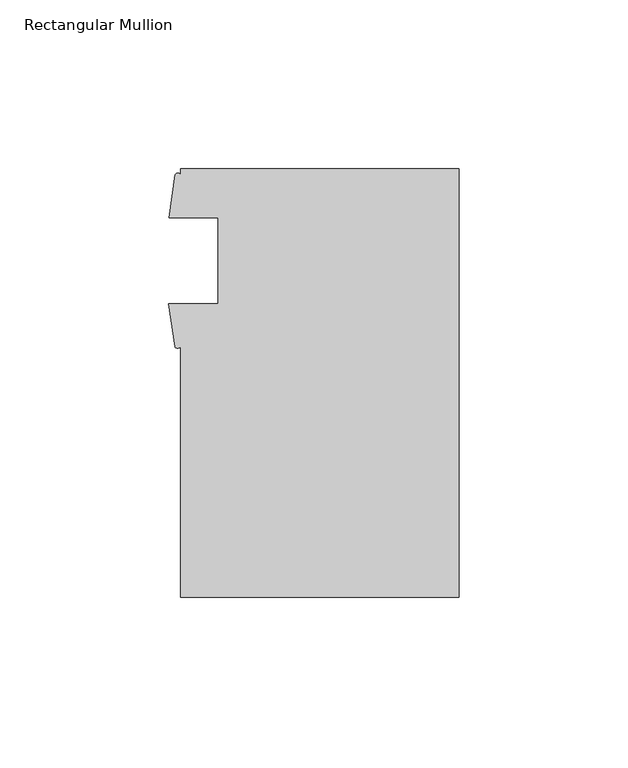
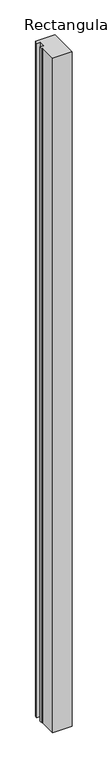
"""IFC4 building model written with IfcOpenShell, lengths in millimetres: member geometry, Rectangular Mullion."""

from ifc_helpers import new_model, si_unit, point, frame, frame_2d, origin, place, context, project, spatial, polyline, circle_curve, trimmed, segment, composite_curve, outline, extrude, source, transform, mapped, element, save


def rectangular_mullion_239945e7(model_context):
    return source(origin(), model_context, "Body", "SweptSolid", [
        extrude(outline(composite_curve([segment(polyline([(0.0, -127.0059304), (-82.55, -127.0059304), (-82.55, -52.6765778)]), True, "CONTINUOUS"), segment(trimmed(circle_curve(frame_2d((-83.3817022, -52.1611917)), 0.9784433), [point((-82.55, -52.6765778))], [point((-84.2134044, -52.6765778))], False, "CARTESIAN"), True, "CONTINUOUS"), segment(polyline([(-84.2134044, -52.6765778), (-86.0660632, -39.9273255), (-71.4375, -39.9273255), (-71.4375, -14.503525), (-85.946, -14.503525), (-84.1358963, -1.7322375)]), True, "CONTINUOUS"), segment(trimmed(circle_curve(frame_2d((-83.3429481, -2.2395551)), 0.941349), [point((-84.1358963, -1.7322375))], [point((-82.55, -1.7322375))], False, "CARTESIAN"), True, "CONTINUOUS"), segment(polyline([(-82.55, -1.7322375), (-82.55, 0.0), (0.0, 0.0), (0.0, -127.0059304)]), True, "CONTINUOUS")], self_intersect=False)), frame((0.0, 0.0, -3048.0), z_axis=(0.0, 0.0, 1.0), x_axis=(1.0, 0.0, 0.0)), (0.0, 0.0, 1.0), 3048.0),
    ])


if __name__ == "__main__":
    model = new_model("IFC4")
    model_context = context("Model", 3, world=origin())
    ifc_project = project(units=[si_unit("LENGTHUNIT", "METRE", prefix="MILLI")], contexts=[model_context])
    site = spatial("IfcSite", under=ifc_project)
    building = spatial("IfcBuilding", under=site)
    placement = place(None, origin())
    rectangular_mullion_shape = rectangular_mullion_239945e7(model_context)
    element("IfcMember", 1, ObjectType="Rectangular Mullion", at=placement, inside=building, context=model_context, shape_type="MappedRepresentation", body=[
        mapped(rectangular_mullion_shape, transform((0.0, 0.0, 0.0), x_axis=(1.0, 0.0, 0.0), y_axis=(0.0, 1.0, 0.0), z_axis=(0.0, 0.0, 1.0))),
    ])
    save(model, "model.ifc")
